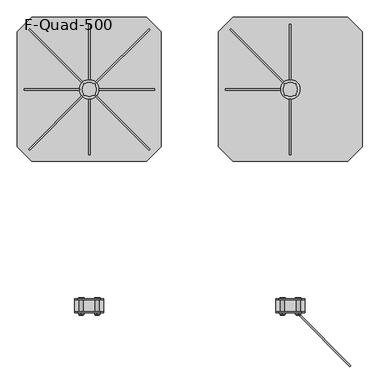
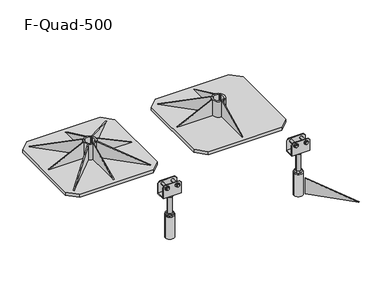
"""IFC4 building model written with IfcOpenShell, lengths in millimetres: beam geometry, F-Quad-500."""

from ifc_helpers import new_model, si_unit, point, frame, frame_2d, origin, origin_with_axes, place, context, project, spatial, polyline, circle_curve, trimmed, segment, composite_curve, outline, extrude, source, transform, mapped, element, save
from ifc_brep_helpers import plane_surface, cylinder_surface, revolved_surface, advanced_brep


def f_quad_500_2612b5c2(model_context):
    return source(origin(), model_context, "Body", "SolidModel", [
        extrude(outline(polyline([(526.0, 17.0), (718.5316456, 107.0), (718.5316456, 17.0), (526.0, 17.0)])), frame((697.5, 0.0, 0.0), z_axis=(1.0, 0.0, 0.0), x_axis=(0.0, 1.0, 0.0)), (0.0, 0.0, 1.0), 5.0),
        extrude(outline(polyline([(979.0, 17.0), (786.4683544, 17.0), (786.4683544, 107.0), (979.0, 17.0)])), frame((697.5, 0.0, 0.0), z_axis=(1.0, 0.0, 0.0), x_axis=(0.0, 1.0, 0.0)), (0.0, 0.0, 1.0), 5.0),
        extrude(outline(polyline([(17.0, 473.5), (17.0, 666.0316456), (107.0, 666.0316456), (17.0, 473.5)])), frame((0.0, 750.0, 0.0), z_axis=(0.0, 1.0, 0.0), x_axis=(0.0, 0.0, 1.0)), (0.0, 0.0, 1.0), 5.0),
        extrude(outline(polyline([(0.0, 0.0), (-247.7880551, -85.1180342), (-277.0270745, 0.0), (0.0, 0.0)])), frame((488.9286258, 960.0358403, 17.0), z_axis=(0.7071067811865491, 0.7071067811865459, 0.0), x_axis=(-0.6687504353591679, 0.6687504353591709, -0.32487799312025273)), (0.0, 0.0, 1.0), 5.0),
        extrude(outline(composite_curve([segment(trimmed(circle_curve(frame_2d((700.0, 752.5)), 34.0), [point((666.0, 752.5))], [point((734.0, 752.5))], False, "CARTESIAN"), True, "CONTINUOUS"), segment(trimmed(circle_curve(frame_2d((700.0, 752.5)), 34.0), [point((734.0, 752.5))], [point((666.0, 752.5))], False, "CARTESIAN"), True, "CONTINUOUS")], self_intersect=False), holes=[composite_curve([segment(polyline([(686.7335008, 772.5), (680.0, 772.5), (680.0, 765.7664992)]), True, "CONTINUOUS"), segment(trimmed(circle_curve(frame_2d((700.0, 752.5)), 24.0), [point((680.0, 765.7664992))], [point((680.0, 739.2335008))], True, "CARTESIAN"), True, "CONTINUOUS"), segment(polyline([(680.0, 739.2335008), (680.0, 732.5), (686.7335008, 732.5)]), True, "CONTINUOUS"), segment(trimmed(circle_curve(frame_2d((700.0, 752.5)), 24.0), [point((686.7335008, 732.5))], [point((713.2664992, 732.5))], True, "CARTESIAN"), True, "CONTINUOUS"), segment(polyline([(713.2664992, 732.5), (720.0, 732.5), (720.0, 739.2335008)]), True, "CONTINUOUS"), segment(trimmed(circle_curve(frame_2d((700.0, 752.5)), 24.0), [point((720.0, 739.2335008))], [point((720.0, 765.7664992))], True, "CARTESIAN"), True, "CONTINUOUS"), segment(polyline([(720.0, 765.7664992), (720.0, 772.5), (713.2664992, 772.5)]), True, "CONTINUOUS"), segment(trimmed(circle_curve(frame_2d((700.0, 752.5)), 24.0), [point((713.2664992, 772.5))], [point((686.7335008, 772.5))], True, "CARTESIAN"), True, "CONTINUOUS")], self_intersect=False)]), frame((0.0, 0.0, 17.0), z_axis=(0.0, 0.0, 1.0), x_axis=(1.0, 0.0, 0.0)), (0.0, 0.0, 1.0), 90.0),
        extrude(outline(polyline([(900.0, 1002.5), (950.0, 952.5), (950.0, 552.5), (900.0, 502.5), (500.0, 502.5), (450.0, 552.5), (450.0, 952.5), (500.0, 1002.5), (900.0, 1002.5)])), origin_with_axes(), (0.0, 0.0, 1.0), 17.0),
        extrude(outline(polyline([(0.0, 0.0), (277.0270745, 0.0), (247.7880551, -85.1180342), (0.0, 0.0)])), frame((207.5358403, 541.4286258, 17.0), z_axis=(0.7071067811865491, 0.7071067811865459, 0.0), x_axis=(-0.6687504353591679, 0.6687504353591709, 0.32487799312025273)), (0.0, 0.0, 1.0), 5.0),
        extrude(outline(polyline([(0.0, 0.0), (-247.7880551, -85.1180342), (-277.0270745, 0.0), (0.0, 0.0)])), frame((-207.5358403, 541.4286258, 17.0), z_axis=(-0.7071067811865449, 0.7071067811865502, 0.0), x_axis=(-0.6687504353591719, -0.6687504353591668, -0.3248779931202527)), (0.0, 0.0, 1.0), 5.0),
        extrude(outline(polyline([(0.0, 0.0), (277.0270745, 0.0), (247.7880551, -85.1180342), (0.0, 0.0)])), frame((211.0713742, 960.0358403, 17.0), z_axis=(-0.7071067811865384, 0.7071067811865568, 0.0), x_axis=(-0.6687504353591781, -0.6687504353591606, 0.32487799312025273)), (0.0, 0.0, 1.0), 5.0),
        extrude(outline(polyline([(17.0, 226.5), (107.0, 33.9683544), (17.0, 33.9683544), (17.0, 226.5)])), frame((0.0, 750.0, 0.0), z_axis=(0.0, 1.0, 0.0), x_axis=(0.0, 0.0, 1.0)), (0.0, 0.0, 1.0), 5.0),
        extrude(outline(polyline([(526.0, 17.0), (718.5316456, 107.0), (718.5316456, 17.0), (526.0, 17.0)])), frame((-2.5, 0.0, 0.0), z_axis=(1.0, 0.0, 0.0), x_axis=(0.0, 1.0, 0.0)), (0.0, 0.0, 1.0), 5.0),
        extrude(outline(polyline([(979.0, 17.0), (786.4683544, 17.0), (786.4683544, 107.0), (979.0, 17.0)])), frame((-2.5, 0.0, 0.0), z_axis=(1.0, 0.0, 0.0), x_axis=(0.0, 1.0, 0.0)), (0.0, 0.0, 1.0), 5.0),
        extrude(outline(polyline([(17.0, -226.5), (17.0, -33.9683544), (107.0, -33.9683544), (17.0, -226.5)])), frame((0.0, 750.0, 0.0), z_axis=(0.0, 1.0, 0.0), x_axis=(0.0, 0.0, 1.0)), (0.0, 0.0, 1.0), 5.0),
        extrude(outline(polyline([(0.0, 0.0), (-247.7880551, -85.1180342), (-277.0270745, 0.0), (0.0, 0.0)])), frame((-211.0713742, 960.0358403, 17.0), z_axis=(0.7071067811865491, 0.7071067811865459, 0.0), x_axis=(-0.6687504353591679, 0.6687504353591709, -0.32487799312025273)), (0.0, 0.0, 1.0), 5.0),
        extrude(outline(composite_curve([segment(trimmed(circle_curve(frame_2d((0.0, 752.5)), 34.0), [point((-34.0, 752.5))], [point((34.0, 752.5))], False, "CARTESIAN"), True, "CONTINUOUS"), segment(trimmed(circle_curve(frame_2d((0.0, 752.5)), 34.0), [point((34.0, 752.5))], [point((-34.0, 752.5))], False, "CARTESIAN"), True, "CONTINUOUS")], self_intersect=False), holes=[composite_curve([segment(polyline([(-13.2664992, 772.5), (-20.0, 772.5), (-20.0, 765.7664992)]), True, "CONTINUOUS"), segment(trimmed(circle_curve(frame_2d((0.0, 752.5)), 24.0), [point((-20.0, 765.7664992))], [point((-20.0, 739.2335008))], True, "CARTESIAN"), True, "CONTINUOUS"), segment(polyline([(-20.0, 739.2335008), (-20.0, 732.5), (-13.2664992, 732.5)]), True, "CONTINUOUS"), segment(trimmed(circle_curve(frame_2d((0.0, 752.5)), 24.0), [point((-13.2664992, 732.5))], [point((13.2664992, 732.5))], True, "CARTESIAN"), True, "CONTINUOUS"), segment(polyline([(13.2664992, 732.5), (20.0, 732.5), (20.0, 739.2335008)]), True, "CONTINUOUS"), segment(trimmed(circle_curve(frame_2d((0.0, 752.5)), 24.0), [point((20.0, 739.2335008))], [point((20.0, 765.7664992))], True, "CARTESIAN"), True, "CONTINUOUS"), segment(polyline([(20.0, 765.7664992), (20.0, 772.5), (13.2664992, 772.5)]), True, "CONTINUOUS"), segment(trimmed(circle_curve(frame_2d((0.0, 752.5)), 24.0), [point((13.2664992, 772.5))], [point((-13.2664992, 772.5))], True, "CARTESIAN"), True, "CONTINUOUS")], self_intersect=False)]), frame((0.0, 0.0, 17.0), z_axis=(0.0, 0.0, 1.0), x_axis=(1.0, 0.0, 0.0)), (0.0, 0.0, 1.0), 90.0),
        extrude(outline(polyline([(200.0, 1002.5), (250.0, 952.5), (250.0, 552.5), (200.0, 502.5), (-200.0, 502.5), (-250.0, 552.5), (-250.0, 952.5), (-200.0, 1002.5), (200.0, 1002.5)])), origin_with_axes(), (0.0, 0.0, 1.0), 17.0),
        advanced_brep(
        [(650.0, -20.75, 265.0), (750.0, -20.75, 265.0), (750.0, 20.75, 265.0), (650.0, 20.75, 265.0), (750.0, 23.75, 258.0), (750.0, -23.75, 258.0), (650.0, -23.75, 258.0), (650.0, 23.75, 258.0), (727.5, 28.653247, 323.062665), (737.0805489, 28.653247, 317.5313325), (737.0805489, 28.653247, 306.4686675), (727.5, 28.653247, 300.937335), (717.9194511, 28.653247, 306.4686675), (717.9194511, 28.653247, 317.5313325), (672.5, 28.653247, 323.062665), (682.0805489, 28.653247, 317.5313325), (682.0805489, 28.653247, 306.4686675), (672.5, 28.653247, 300.937335), (662.9194511, 28.653247, 306.4686675), (662.9194511, 28.653247, 317.5313325), (727.5, 23.653247, 323.062665), (737.0805489, 23.75, 317.5313325), (737.0805489, 23.75, 306.4686675), (727.5, 23.75, 300.937335), (717.9194511, 23.75, 306.4686675), (717.9194511, 23.75, 317.5313325), (672.5, 23.653247, 323.062665), (682.0805489, 23.75, 317.5313325), (682.0805489, 23.75, 306.4686675), (672.5, 23.75, 300.937335), (662.9194511, 23.75, 306.4686675), (662.9194511, 23.75, 317.5313325), (717.9194511, -28.75, 317.5313325), (717.9194511, -28.75, 306.4686675), (727.5, -28.75, 300.937335), (737.0805489, -28.75, 306.4686675), (737.0805489, -28.75, 317.5313325), (727.5, -28.75, 323.062665), (720.5, -28.75, 312.0), (734.5, -28.75, 312.0), (717.9194511, -23.75, 317.5313325), (717.9194511, -23.75, 306.4686675), (727.5, -23.75, 300.937335), (737.0805489, -23.75, 306.4686675), (737.0805489, -23.75, 317.5313325), (727.5, -23.75, 323.062665), (662.9194511, -28.75, 317.5313325), (662.9194511, -28.75, 306.4686675), (672.5, -28.75, 300.937335), (682.0805489, -28.75, 306.4686675), (682.0805489, -28.75, 317.5313325), (672.5, -28.75, 323.062665), (665.5, -28.75, 312.0), (679.5, -28.75, 312.0), (662.9194511, -23.75, 317.5313325), (662.9194511, -23.75, 306.4686675), (672.5, -23.75, 300.937335), (682.0805489, -23.75, 306.4686675), (682.0805489, -23.75, 317.5313325), (672.5, -23.75, 323.062665), (650.0, -20.75, 319.0), (660.0, -20.75, 329.0), (740.0, -20.75, 329.0), (750.0, -20.75, 319.0), (734.5, -20.75, 312.0), (720.5, -20.75, 312.0), (679.5, -20.75, 312.0), (665.5, -20.75, 312.0), (740.0, -23.75, 329.0), (750.0, -23.75, 319.0), (660.0, -23.75, 329.0), (650.0, -23.75, 319.0), (750.0, 20.75, 319.0), (740.0, 20.75, 329.0), (660.0, 20.75, 329.0), (650.0, 20.75, 319.0), (720.5, 20.75, 312.0), (734.5, 20.75, 312.0), (665.5, 20.75, 312.0), (679.5, 20.75, 312.0), (750.0, 23.75, 319.0), (740.0, 23.75, 329.0), (660.0, 23.75, 329.0), (650.0, 23.75, 319.0), (720.5, -32.6948906, 312.0), (734.5, -32.6948906, 312.0), (665.5, -32.6948906, 312.0), (679.5, -32.6948906, 312.0)],
        [
            (0, 1),
            (1, 2),
            (2, 3),
            (3, 0),
            (4, 5),
            (5, 6),
            (6, 7),
            (7, 4),
            (8, 9),
            (9, 10),
            (10, 11),
            (11, 12),
            (12, 13),
            (13, 8),
            (14, 15),
            (15, 16),
            (16, 17),
            (17, 18),
            (18, 19),
            (19, 14),
            (8, 20),
            (20, 21),
            (21, 9),
            (21, 22),
            (22, 10),
            (22, 23),
            (23, 11),
            (23, 24),
            (24, 12),
            (24, 25),
            (25, 13),
            (25, 20),
            (14, 26),
            (26, 27),
            (27, 15),
            (27, 28),
            (28, 16),
            (28, 29),
            (29, 17),
            (29, 30),
            (30, 18),
            (30, 31),
            (31, 19),
            (31, 26),
            (32, 33),
            (33, 34),
            (34, 35),
            (35, 36),
            (36, 37),
            (37, 32),
            (38, 39, circle_curve(frame((727.5, -28.75, 312.0), z_axis=(0.0, 1.0, 0.0), x_axis=(-1.0, 0.0, 0.0)), 7.0)),
            (39, 38, circle_curve(frame((727.5, -28.75, 312.0), z_axis=(0.0, 1.0, 0.0), x_axis=(-1.0, 0.0, 0.0)), 7.0)),
            (32, 40),
            (40, 41),
            (41, 33),
            (41, 42),
            (42, 34),
            (42, 43),
            (43, 35),
            (43, 44),
            (44, 36),
            (44, 45),
            (45, 37),
            (45, 40),
            (46, 47),
            (47, 48),
            (48, 49),
            (49, 50),
            (50, 51),
            (51, 46),
            (52, 53, circle_curve(frame((672.5, -28.75, 312.0), z_axis=(0.0, 1.0, 0.0), x_axis=(-1.0, 0.0, 0.0)), 7.0)),
            (53, 52, circle_curve(frame((672.5, -28.75, 312.0), z_axis=(0.0, 1.0, 0.0), x_axis=(-1.0, 0.0, 0.0)), 7.0)),
            (46, 54),
            (54, 55),
            (55, 47),
            (55, 56),
            (56, 48),
            (56, 57),
            (57, 49),
            (57, 58),
            (58, 50),
            (58, 59),
            (59, 51),
            (59, 54),
            (60, 61),
            (61, 62),
            (62, 63),
            (63, 1),
            (0, 60),
            (64, 65, circle_curve(frame((727.5, -20.75, 312.0), z_axis=(0.0, -1.0, 0.0), x_axis=(-1.0, 0.0, 0.0)), 7.0)),
            (65, 64, circle_curve(frame((727.5, -20.75, 312.0), z_axis=(0.0, -1.0, 0.0), x_axis=(-1.0, 0.0, 0.0)), 7.0)),
            (66, 67, circle_curve(frame((672.5, -20.75, 312.0), z_axis=(0.0, -1.0, 0.0), x_axis=(-1.0, 0.0, 0.0)), 7.0)),
            (67, 66, circle_curve(frame((672.5, -20.75, 312.0), z_axis=(0.0, -1.0, 0.0), x_axis=(-1.0, 0.0, 0.0)), 7.0)),
            (62, 68),
            (68, 69),
            (69, 63),
            (61, 70),
            (70, 68),
            (60, 71),
            (71, 70),
            (72, 73),
            (73, 74),
            (74, 75),
            (75, 3),
            (2, 72),
            (76, 77, circle_curve(frame((727.5, 20.75, 312.0), z_axis=(0.0, 1.0, 0.0), x_axis=(-1.0, 0.0, 0.0)), 7.0)),
            (77, 76, circle_curve(frame((727.5, 20.75, 312.0), z_axis=(0.0, 1.0, 0.0), x_axis=(-1.0, 0.0, 0.0)), 7.0)),
            (78, 79, circle_curve(frame((672.5, 20.75, 312.0), z_axis=(0.0, 1.0, 0.0), x_axis=(-1.0, 0.0, 0.0)), 7.0)),
            (79, 78, circle_curve(frame((672.5, 20.75, 312.0), z_axis=(0.0, 1.0, 0.0), x_axis=(-1.0, 0.0, 0.0)), 7.0)),
            (80, 81),
            (81, 73),
            (72, 80),
            (81, 82),
            (82, 74),
            (82, 83),
            (83, 75),
            (7, 83),
            (80, 4),
            (6, 71),
            (5, 69),
            (84, 85, circle_curve(frame((727.5, -32.6948906, 312.0), z_axis=(0.0, -1.0, 0.0), x_axis=(-1.0, 0.0, 0.0)), 7.0)),
            (85, 84, circle_curve(frame((727.5, -32.6948906, 312.0), z_axis=(0.0, -1.0, 0.0), x_axis=(-1.0, 0.0, 0.0)), 7.0)),
            (86, 87, circle_curve(frame((672.5, -32.6948906, 312.0), z_axis=(0.0, -1.0, 0.0), x_axis=(-1.0, 0.0, 0.0)), 7.0)),
            (87, 86, circle_curve(frame((672.5, -32.6948906, 312.0), z_axis=(0.0, -1.0, 0.0), x_axis=(-1.0, 0.0, 0.0)), 7.0)),
            (85, 39),
            (38, 84),
            (64, 77),
            (76, 65),
            (87, 53),
            (52, 86),
            (66, 79),
            (78, 67),
        ],
        [
            plane_surface(frame((700.0, 23.75, 265.0), z_axis=(0.0, 0.0, 1.0), x_axis=(-1.0, 0.0, 0.0))),
            plane_surface(frame((700.0, 23.75, 258.0), z_axis=(0.0, 0.0, -1.0), x_axis=(1.0, 0.0, 0.0))),
            plane_surface(frame((727.5, 28.653247, 323.062665), z_axis=(0.0, 1.0, 0.0), x_axis=(0.866025403784437, 0.0, -0.5000000000000028))),
            plane_surface(frame((727.5, 28.653247, 323.062665), z_axis=(0.5000000000000028, 0.0, 0.866025403784437), x_axis=(0.0, -1.0, 0.0))),
            plane_surface(frame((737.0805489, 28.653247, 317.5313325), z_axis=(1.0, 0.0, 0.0), x_axis=(0.0, -1.0, 0.0))),
            plane_surface(frame((737.0805489, 28.653247, 306.4686675), z_axis=(0.4999999999999971, 0.0, -0.8660254037844404), x_axis=(0.0, -1.0, 0.0))),
            plane_surface(frame((727.5, 28.653247, 300.937335), z_axis=(-0.5000000000000031, 0.0, -0.8660254037844369), x_axis=(0.0, -1.0, 0.0))),
            plane_surface(frame((717.9194511, 28.653247, 306.4686675), z_axis=(-1.0, 0.0, 0.0), x_axis=(0.0, -1.0, 0.0))),
            plane_surface(frame((717.9194511, 28.653247, 317.5313325), z_axis=(-0.4999999999999962, 0.0, 0.8660254037844408), x_axis=(0.0, -1.0, 0.0))),
            plane_surface(frame((672.5, 28.653247, 323.062665), z_axis=(0.5000000000000028, 0.0, 0.866025403784437), x_axis=(0.0, -1.0, 0.0))),
            plane_surface(frame((682.0805489, 28.653247, 317.5313325), z_axis=(1.0, 0.0, 0.0), x_axis=(0.0, -1.0, 0.0))),
            plane_surface(frame((682.0805489, 28.653247, 306.4686675), z_axis=(0.4999999999999972, 0.0, -0.8660254037844403), x_axis=(0.0, -1.0, 0.0))),
            plane_surface(frame((672.5, 28.653247, 300.937335), z_axis=(-0.5000000000000029, 0.0, -0.866025403784437), x_axis=(0.0, -1.0, 0.0))),
            plane_surface(frame((662.9194511, 28.653247, 306.4686675), z_axis=(-1.0, 0.0, 0.0), x_axis=(0.0, -1.0, 0.0))),
            plane_surface(frame((662.9194511, 28.653247, 317.5313325), z_axis=(-0.49999999999999617, 0.0, 0.8660254037844409), x_axis=(0.0, -1.0, 0.0))),
            plane_surface(frame((717.9194511, -28.75, 317.5313325), z_axis=(0.0, -1.0, 0.0), x_axis=(0.0, 0.0, -1.0))),
            plane_surface(frame((717.9194511, -28.75, 317.5313325), z_axis=(-1.0, 0.0, 0.0), x_axis=(0.0, 1.0, 0.0))),
            plane_surface(frame((717.9194511, -28.75, 306.4686675), z_axis=(-0.500000000000003, 0.0, -0.866025403784437), x_axis=(0.0, 1.0, 0.0))),
            plane_surface(frame((727.5, -28.75, 300.937335), z_axis=(0.4999999999999972, 0.0, -0.8660254037844403), x_axis=(0.0, 1.0, 0.0))),
            plane_surface(frame((737.0805489, -28.75, 306.4686675), z_axis=(1.0, 0.0, 0.0), x_axis=(0.0, 1.0, 0.0))),
            plane_surface(frame((737.0805489, -28.75, 317.5313325), z_axis=(0.5000000000000038, 0.0, 0.8660254037844366), x_axis=(0.0, 1.0, 0.0))),
            plane_surface(frame((727.5, -28.75, 323.062665), z_axis=(-0.4999999999999978, 0.0, 0.8660254037844399), x_axis=(0.0, 1.0, 0.0))),
            plane_surface(frame((662.9194511, -28.75, 317.5313325), z_axis=(0.0, -1.0, 0.0), x_axis=(0.0, 0.0, -1.0))),
            plane_surface(frame((662.9194511, -28.75, 317.5313325), z_axis=(-1.0, 0.0, 0.0), x_axis=(0.0, 1.0, 0.0))),
            plane_surface(frame((662.9194511, -28.75, 306.4686675), z_axis=(-0.5000000000000031, 0.0, -0.8660254037844368), x_axis=(0.0, 1.0, 0.0))),
            plane_surface(frame((672.5, -28.75, 300.937335), z_axis=(0.49999999999999717, 0.0, -0.8660254037844404), x_axis=(0.0, 1.0, 0.0))),
            plane_surface(frame((682.0805489, -28.75, 306.4686675), z_axis=(1.0, 0.0, 0.0), x_axis=(0.0, 1.0, 0.0))),
            plane_surface(frame((682.0805489, -28.75, 317.5313325), z_axis=(0.5000000000000036, 0.0, 0.8660254037844367), x_axis=(0.0, 1.0, 0.0))),
            plane_surface(frame((672.5, -28.75, 323.062665), z_axis=(-0.4999999999999981, 0.0, 0.8660254037844398), x_axis=(0.0, 1.0, 0.0))),
            plane_surface(frame((650.0, -20.75, 319.0), z_axis=(0.0, 1.0, 0.0), x_axis=(0.0, 0.0, 1.0))),
            plane_surface(frame((750.0, -23.75, 319.0), z_axis=(0.7071067811865493, 0.0, 0.7071067811865457), x_axis=(0.0, 1.0, 0.0))),
            plane_surface(frame((740.0, -23.75, 329.0), z_axis=(0.0, 0.0, 1.0), x_axis=(0.0, 1.0, 0.0))),
            plane_surface(frame((660.0, -23.75, 329.0), z_axis=(-0.707106781186547, 0.0, 0.7071067811865481), x_axis=(0.0, 1.0, 0.0))),
            plane_surface(frame((740.0, 20.75, 329.0), z_axis=(0.0, -1.0, 0.0), x_axis=(-0.7071067811865458, 0.0, 0.7071067811865493))),
            plane_surface(frame((750.0, 20.75, 319.0), z_axis=(0.7071067811865493, 0.0, 0.7071067811865458), x_axis=(0.0, 1.0, 0.0))),
            plane_surface(frame((740.0, 20.75, 329.0), z_axis=(0.0, 0.0, 1.0), x_axis=(0.0, 1.0, 0.0))),
            plane_surface(frame((660.0, 20.75, 329.0), z_axis=(-0.7071067811865467, 0.0, 0.7071067811865485), x_axis=(0.0, 1.0, 0.0))),
            plane_surface(frame((750.0, 23.75, 265.0), z_axis=(0.0, 1.0, 0.0), x_axis=(0.0, 0.0, -1.0))),
            plane_surface(frame((650.0, 23.75, 265.0), z_axis=(-1.0, 0.0, 0.0), x_axis=(0.0, 0.0, -1.0))),
            plane_surface(frame((650.0, -23.75, 265.0), z_axis=(0.0, -1.0, 0.0), x_axis=(0.0, 0.0, -1.0))),
            plane_surface(frame((750.0, -23.75, 265.0), z_axis=(1.0, 0.0, 0.0), x_axis=(0.0, 0.0, -1.0))),
            plane_surface(frame((720.5, -32.6948906, 312.0), z_axis=(0.0, -1.0, 0.0), x_axis=(0.0, 0.0, -1.0))),
            cylinder_surface(frame((727.5, -32.6948906, 312.0), z_axis=(0.0, 1.0, 0.0), x_axis=(-1.0, 0.0, 0.0)), 7.0),
            cylinder_surface(frame((672.5, 23.653247, 312.0), z_axis=(0.0, 1.0, 0.0), x_axis=(-1.0, 0.0, 0.0)), 7.0),
        ],
        [
            (0, [[1, 2, 3, 4]]),
            (1, [[5, 6, 7, 8]]),
            (2, [[9, 10, 11, 12, 13, 14]]),
            (2, [[15, 16, 17, 18, 19, 20]]),
            (3, [[-9, 21, 22, 23]]),
            (4, [[-10, -23, 24, 25]]),
            (5, [[-11, -25, 26, 27]]),
            (6, [[-12, -27, 28, 29]]),
            (7, [[-13, -29, 30, 31]]),
            (8, [[-14, -31, 32, -21]]),
            (9, [[-15, 33, 34, 35]]),
            (10, [[-16, -35, 36, 37]]),
            (11, [[-17, -37, 38, 39]]),
            (12, [[-18, -39, 40, 41]]),
            (13, [[-19, -41, 42, 43]]),
            (14, [[-20, -43, 44, -33]]),
            (15, [[45, 46, 47, 48, 49, 50], [51, 52]]),
            (16, [[-45, 53, 54, 55]]),
            (17, [[-46, -55, 56, 57]]),
            (18, [[-47, -57, 58, 59]]),
            (19, [[-48, -59, 60, 61]]),
            (20, [[-49, -61, 62, 63]]),
            (21, [[-50, -63, 64, -53]]),
            (22, [[65, 66, 67, 68, 69, 70], [71, 72]]),
            (23, [[-65, 73, 74, 75]]),
            (24, [[-66, -75, 76, 77]]),
            (25, [[-67, -77, 78, 79]]),
            (26, [[-68, -79, 80, 81]]),
            (27, [[-69, -81, 82, 83]]),
            (28, [[-70, -83, 84, -73]]),
            (29, [[85, 86, 87, 88, -1, 89], [90, 91], [92, 93]]),
            (30, [[-87, 94, 95, 96]]),
            (31, [[-86, 97, 98, -94]]),
            (32, [[-85, 99, 100, -97]]),
            (33, [[101, 102, 103, 104, -3, 105], [106, 107], [108, 109]]),
            (34, [[110, 111, -101, 112]]),
            (35, [[113, 114, -102, -111]]),
            (36, [[115, 116, -103, -114]]),
            (37, [[-8, 117, -115, -113, -110, 118], [-22, -32, -30, -28, -26, -24], [-34, -44, -42, -40, -38, -36]]),
            (38, [[-117, -7, 119, -99, -89, -4, -104, -116]]),
            (39, [[-6, 120, -95, -98, -100, -119], [-54, -64, -62, -60, -58, -56], [-74, -84, -82, -80, -78, -76]]),
            (40, [[-5, -118, -112, -105, -2, -88, -96, -120]]),
            (41, [[121, 122]]),
            (41, [[123, 124]]),
            (42, [[-122, 125, -51, 126]]),
            (42, [[-90, 127, -106, 128]]),
            (42, [[-121, -126, -52, -125]]),
            (42, [[-91, -128, -107, -127]]),
            (43, [[-124, 129, -71, 130]]),
            (43, [[-92, 131, -108, 132]]),
            (43, [[-123, -130, -72, -129]]),
            (43, [[-93, -132, -109, -131]]),
        ],
    ),
        advanced_brep(
        [(688.0, 0.0, 248.0), (688.0, 0.0, 150.0), (712.0, 0.0, 150.0), (712.0, 0.0, 248.0), (682.6794919, 10.0, 258.0), (682.6794919, -10.0, 258.0), (700.0, -20.0, 258.0), (717.3205081, -10.0, 258.0), (717.3205081, 10.0, 258.0), (700.0, 20.0, 258.0), (682.6794919, 10.0, 248.0), (700.0, 20.0, 248.0), (717.3205081, 10.0, 248.0), (717.3205081, -10.0, 248.0), (700.0, -20.0, 248.0), (682.6794919, -10.0, 248.0), (682.6794919, 10.0, 150.0), (682.6794919, -10.0, 150.0), (700.0, -20.0, 150.0), (717.3205081, -10.0, 150.0), (717.3205081, 10.0, 150.0), (700.0, 20.0, 150.0), (682.6794919, 10.0, 140.0), (682.6794919, 0.0, 140.0), (682.6794919, -10.0, 140.0), (700.0, -20.0, 140.0), (717.3205081, -10.0, 140.0), (717.3205081, 0.0, 140.0), (717.3205081, 10.0, 140.0), (700.0, 20.0, 140.0), (680.0, 0.0, 140.0), (720.0, 0.0, 140.0), (724.0, 0.0, 136.0), (676.0, 0.0, 136.0), (724.0, 0.0, 10.0), (676.0, 0.0, 10.0), (700.0, 0.0, 10.0)],
        [
            (0, 1),
            (1, 2, circle_curve(frame((700.0, 0.0, 150.0), z_axis=(0.0, 0.0, 1.0), x_axis=(1.0, 0.0, 0.0)), 12.0)),
            (2, 3),
            (3, 0, circle_curve(frame((700.0, 0.0, 248.0), z_axis=(0.0, 0.0, -1.0), x_axis=(1.0, 0.0, 0.0)), 12.0)),
            (0, 3, circle_curve(frame((700.0, 0.0, 248.0), z_axis=(0.0, 0.0, -1.0), x_axis=(1.0, 0.0, 0.0)), 12.0)),
            (2, 1, circle_curve(frame((700.0, 0.0, 150.0), z_axis=(0.0, 0.0, 1.0), x_axis=(1.0, 0.0, 0.0)), 12.0)),
            (4, 5),
            (5, 6),
            (6, 7),
            (7, 8),
            (8, 9),
            (9, 4),
            (10, 11),
            (11, 12),
            (12, 13),
            (13, 14),
            (14, 15),
            (15, 10),
            (4, 10),
            (15, 5),
            (14, 6),
            (13, 7),
            (12, 8),
            (11, 9),
            (16, 17),
            (17, 18),
            (18, 19),
            (19, 20),
            (20, 21),
            (21, 16),
            (16, 22),
            (22, 23),
            (23, 24),
            (24, 17),
            (24, 25),
            (25, 18),
            (25, 26),
            (26, 19),
            (26, 27),
            (27, 28),
            (28, 20),
            (28, 29),
            (29, 21),
            (29, 22),
            (22, 30, circle_curve(frame((700.0, 0.0, 140.0), z_axis=(0.0, 0.0, 1.0), x_axis=(-1.0, 0.0, 0.0)), 20.0)),
            (30, 23),
            (29, 22, circle_curve(frame((700.0, 0.0, 140.0), z_axis=(0.0, 0.0, 1.0), x_axis=(-1.0, 0.0, 0.0)), 20.0)),
            (28, 29, circle_curve(frame((700.0, 0.0, 140.0), z_axis=(0.0, 0.0, 1.0), x_axis=(-1.0, 0.0, 0.0)), 20.0)),
            (31, 28, circle_curve(frame((700.0, 0.0, 140.0), z_axis=(0.0, 0.0, 1.0), x_axis=(-1.0, 0.0, 0.0)), 20.0)),
            (27, 31),
            (26, 31, circle_curve(frame((700.0, 0.0, 140.0), z_axis=(0.0, 0.0, 1.0), x_axis=(-1.0, 0.0, 0.0)), 20.0)),
            (25, 26, circle_curve(frame((700.0, 0.0, 140.0), z_axis=(0.0, 0.0, 1.0), x_axis=(-1.0, 0.0, 0.0)), 20.0)),
            (24, 25, circle_curve(frame((700.0, 0.0, 140.0), z_axis=(0.0, 0.0, 1.0), x_axis=(-1.0, 0.0, 0.0)), 20.0)),
            (30, 24, circle_curve(frame((700.0, 0.0, 140.0), z_axis=(0.0, 0.0, 1.0), x_axis=(-1.0, 0.0, 0.0)), 20.0)),
            (32, 33, circle_curve(frame((700.0, 0.0, 136.0), z_axis=(0.0, 0.0, 1.0), x_axis=(-1.0, 0.0, 0.0)), 24.0)),
            (33, 30),
            (31, 32),
            (33, 32, circle_curve(frame((700.0, 0.0, 136.0), z_axis=(0.0, 0.0, 1.0), x_axis=(-1.0, 0.0, 0.0)), 24.0)),
            (32, 34),
            (34, 35, circle_curve(frame((700.0, 0.0, 10.0), z_axis=(0.0, 0.0, 1.0), x_axis=(-1.0, 0.0, 0.0)), 24.0)),
            (35, 33),
            (35, 34, circle_curve(frame((700.0, 0.0, 10.0), z_axis=(0.0, 0.0, 1.0), x_axis=(-1.0, 0.0, 0.0)), 24.0)),
            (34, 36),
            (36, 35),
        ],
        [
            cylinder_surface(frame((700.0, 0.0, 150.0), z_axis=(0.0, 0.0, 1.0), x_axis=(1.0, 0.0, 0.0)), 12.0),
            plane_surface(frame((682.6794919, 10.0, 258.0), z_axis=(0.0, 0.0, 1.0), x_axis=(0.0, -1.0, 0.0))),
            plane_surface(frame((682.6794919, 10.0, 248.0), z_axis=(0.0, 0.0, -1.0), x_axis=(0.0, 1.0, 0.0))),
            plane_surface(frame((682.6794919, 10.0, 258.0), z_axis=(-1.0, 0.0, 0.0), x_axis=(0.0, 0.0, -1.0))),
            plane_surface(frame((682.6794919, -10.0, 258.0), z_axis=(-0.5000000000000034, -0.8660254037844367, 0.0), x_axis=(0.0, 0.0, -1.0))),
            plane_surface(frame((700.0, -20.0, 258.0), z_axis=(0.4999999999999958, -0.8660254037844412, 0.0), x_axis=(0.0, 0.0, -1.0))),
            plane_surface(frame((717.3205081, -10.0, 258.0), z_axis=(1.0, 0.0, 0.0), x_axis=(0.0, 0.0, -1.0))),
            plane_surface(frame((717.3205081, 10.0, 258.0), z_axis=(0.5000000000000064, 0.866025403784435, 0.0), x_axis=(0.0, 0.0, -1.0))),
            plane_surface(frame((700.0, 20.0, 258.0), z_axis=(-0.4999999999999984, 0.8660254037844396, 0.0), x_axis=(0.0, 0.0, -1.0))),
            plane_surface(frame((682.6794919, 10.0, 150.0), z_axis=(0.0, 0.0, 1.0), x_axis=(0.0, -1.0, 0.0))),
            plane_surface(frame((682.6794919, 10.0, 150.0), z_axis=(-1.0, 0.0, 0.0), x_axis=(0.0, 0.0, -1.0))),
            plane_surface(frame((682.6794919, -10.0, 150.0), z_axis=(-0.5000000000000034, -0.8660254037844367, 0.0), x_axis=(0.0, 0.0, -1.0))),
            plane_surface(frame((700.0, -20.0, 150.0), z_axis=(0.49999999999999545, -0.8660254037844413, 0.0), x_axis=(0.0, 0.0, -1.0))),
            plane_surface(frame((717.3205081, -10.0, 150.0), z_axis=(1.0, 0.0, 0.0), x_axis=(0.0, 0.0, -1.0))),
            plane_surface(frame((717.3205081, 10.0, 150.0), z_axis=(0.5000000000000064, 0.866025403784435, 0.0), x_axis=(0.0, 0.0, -1.0))),
            plane_surface(frame((700.0, 20.0, 150.0), z_axis=(-0.49999999999999845, 0.8660254037844396, 0.0), x_axis=(0.0, 0.0, -1.0))),
            plane_surface(frame((700.0, 0.0, 140.0), z_axis=(0.0, 0.0, 1.0), x_axis=(-1.0, 0.0, 0.0))),
            revolved_surface(polyline([(680.0, 0.0, 140.0), (676.0, 0.0, 136.0)]), (700.0, 0.0, 165.0), (0.0, 0.0, -1.0)),
            cylinder_surface(frame((700.0, 0.0, 165.0), z_axis=(0.0, 0.0, -1.0), x_axis=(-1.0, 0.0, 0.0)), 24.0),
            plane_surface(frame((700.0, 0.0, 10.0), z_axis=(0.0, 0.0, -1.0), x_axis=(-1.0, 0.0, 0.0))),
        ],
        [
            (0, [[1, 2, 3, 4]]),
            (0, [[-1, 5, -3, 6]]),
            (1, [[7, 8, 9, 10, 11, 12]]),
            (2, [[13, 14, 15, 16, 17, 18], [-4, -5]]),
            (3, [[-7, 19, -18, 20]]),
            (4, [[-8, -20, -17, 21]]),
            (5, [[-9, -21, -16, 22]]),
            (6, [[-10, -22, -15, 23]]),
            (7, [[-11, -23, -14, 24]]),
            (8, [[-12, -24, -13, -19]]),
            (9, [[25, 26, 27, 28, 29, 30], [-2, -6]]),
            (10, [[-25, 31, 32, 33, 34]]),
            (11, [[-26, -34, 35, 36]]),
            (12, [[-27, -36, 37, 38]]),
            (13, [[-28, -38, 39, 40, 41]]),
            (14, [[-29, -41, 42, 43]]),
            (15, [[-30, -43, 44, -31]]),
            (16, [[45, 46, -32]]),
            (16, [[47, -44]]),
            (16, [[48, -42]]),
            (16, [[49, -40, 50]]),
            (16, [[51, -50, -39]]),
            (16, [[52, -37]]),
            (16, [[53, -35]]),
            (16, [[54, -33, -46]]),
            (17, [[55, 56, -45, -47, -48, -49, 57]]),
            (17, [[-56, 58, -57, -51, -52, -53, -54]]),
            (18, [[-55, 59, 60, 61]]),
            (18, [[-58, -61, 62, -59]]),
            (19, [[-60, 63, 64]]),
            (19, [[-62, -64, -63]]),
        ],
    ),
        advanced_brep(
        [(-50.0, -20.75, 265.0), (50.0, -20.75, 265.0), (50.0, 20.75, 265.0), (-50.0, 20.75, 265.0), (50.0, 23.75, 258.0), (50.0, -23.75, 258.0), (-50.0, -23.75, 258.0), (-50.0, 23.75, 258.0), (27.5, 28.653247, 323.062665), (37.0805489, 28.653247, 317.5313325), (37.0805489, 28.653247, 306.4686675), (27.5, 28.653247, 300.937335), (17.9194511, 28.653247, 306.4686675), (17.9194511, 28.653247, 317.5313325), (-27.5, 28.653247, 323.062665), (-17.9194511, 28.653247, 317.5313325), (-17.9194511, 28.653247, 306.4686675), (-27.5, 28.653247, 300.937335), (-37.0805489, 28.653247, 306.4686675), (-37.0805489, 28.653247, 317.5313325), (27.5, 23.653247, 323.062665), (37.0805489, 23.75, 317.5313325), (37.0805489, 23.75, 306.4686675), (27.5, 23.75, 300.937335), (17.9194511, 23.75, 306.4686675), (17.9194511, 23.75, 317.5313325), (-27.5, 23.653247, 323.062665), (-17.9194511, 23.75, 317.5313325), (-17.9194511, 23.75, 306.4686675), (-27.5, 23.75, 300.937335), (-37.0805489, 23.75, 306.4686675), (-37.0805489, 23.75, 317.5313325), (17.9194511, -28.75, 317.5313325), (17.9194511, -28.75, 306.4686675), (27.5, -28.75, 300.937335), (37.0805489, -28.75, 306.4686675), (37.0805489, -28.75, 317.5313325), (27.5, -28.75, 323.062665), (20.5, -28.75, 312.0), (34.5, -28.75, 312.0), (17.9194511, -23.75, 317.5313325), (17.9194511, -23.75, 306.4686675), (27.5, -23.75, 300.937335), (37.0805489, -23.75, 306.4686675), (37.0805489, -23.75, 317.5313325), (27.5, -23.75, 323.062665), (-37.0805489, -28.75, 317.5313325), (-37.0805489, -28.75, 306.4686675), (-27.5, -28.75, 300.937335), (-17.9194511, -28.75, 306.4686675), (-17.9194511, -28.75, 317.5313325), (-27.5, -28.75, 323.062665), (-34.5, -28.75, 312.0), (-20.5, -28.75, 312.0), (-37.0805489, -23.75, 317.5313325), (-37.0805489, -23.75, 306.4686675), (-27.5, -23.75, 300.937335), (-17.9194511, -23.75, 306.4686675), (-17.9194511, -23.75, 317.5313325), (-27.5, -23.75, 323.062665), (-50.0, -20.75, 319.0), (-40.0, -20.75, 329.0), (40.0, -20.75, 329.0), (50.0, -20.75, 319.0), (34.5, -20.75, 312.0), (20.5, -20.75, 312.0), (-20.5, -20.75, 312.0), (-34.5, -20.75, 312.0), (40.0, -23.75, 329.0), (50.0, -23.75, 319.0), (-40.0, -23.75, 329.0), (-50.0, -23.75, 319.0), (50.0, 20.75, 319.0), (40.0, 20.75, 329.0), (-40.0, 20.75, 329.0), (-50.0, 20.75, 319.0), (20.5, 20.75, 312.0), (34.5, 20.75, 312.0), (-34.5, 20.75, 312.0), (-20.5, 20.75, 312.0), (50.0, 23.75, 319.0), (40.0, 23.75, 329.0), (-40.0, 23.75, 329.0), (-50.0, 23.75, 319.0), (20.5, -32.6948906, 312.0), (34.5, -32.6948906, 312.0), (-34.5, -32.6948906, 312.0), (-20.5, -32.6948906, 312.0)],
        [
            (0, 1),
            (1, 2),
            (2, 3),
            (3, 0),
            (4, 5),
            (5, 6),
            (6, 7),
            (7, 4),
            (8, 9),
            (9, 10),
            (10, 11),
            (11, 12),
            (12, 13),
            (13, 8),
            (14, 15),
            (15, 16),
            (16, 17),
            (17, 18),
            (18, 19),
            (19, 14),
            (8, 20),
            (20, 21),
            (21, 9),
            (21, 22),
            (22, 10),
            (22, 23),
            (23, 11),
            (23, 24),
            (24, 12),
            (24, 25),
            (25, 13),
            (25, 20),
            (14, 26),
            (26, 27),
            (27, 15),
            (27, 28),
            (28, 16),
            (28, 29),
            (29, 17),
            (29, 30),
            (30, 18),
            (30, 31),
            (31, 19),
            (31, 26),
            (32, 33),
            (33, 34),
            (34, 35),
            (35, 36),
            (36, 37),
            (37, 32),
            (38, 39, circle_curve(frame((27.5, -28.75, 312.0), z_axis=(0.0, 1.0, 0.0), x_axis=(-1.0, 0.0, 0.0)), 7.0)),
            (39, 38, circle_curve(frame((27.5, -28.75, 312.0), z_axis=(0.0, 1.0, 0.0), x_axis=(-1.0, 0.0, 0.0)), 7.0)),
            (32, 40),
            (40, 41),
            (41, 33),
            (41, 42),
            (42, 34),
            (42, 43),
            (43, 35),
            (43, 44),
            (44, 36),
            (44, 45),
            (45, 37),
            (45, 40),
            (46, 47),
            (47, 48),
            (48, 49),
            (49, 50),
            (50, 51),
            (51, 46),
            (52, 53, circle_curve(frame((-27.5, -28.75, 312.0), z_axis=(0.0, 1.0, 0.0), x_axis=(-1.0, 0.0, 0.0)), 7.0)),
            (53, 52, circle_curve(frame((-27.5, -28.75, 312.0), z_axis=(0.0, 1.0, 0.0), x_axis=(-1.0, 0.0, 0.0)), 7.0)),
            (46, 54),
            (54, 55),
            (55, 47),
            (55, 56),
            (56, 48),
            (56, 57),
            (57, 49),
            (57, 58),
            (58, 50),
            (58, 59),
            (59, 51),
            (59, 54),
            (60, 61),
            (61, 62),
            (62, 63),
            (63, 1),
            (0, 60),
            (64, 65, circle_curve(frame((27.5, -20.75, 312.0), z_axis=(0.0, -1.0, 0.0), x_axis=(-1.0, 0.0, 0.0)), 7.0)),
            (65, 64, circle_curve(frame((27.5, -20.75, 312.0), z_axis=(0.0, -1.0, 0.0), x_axis=(-1.0, 0.0, 0.0)), 7.0)),
            (66, 67, circle_curve(frame((-27.5, -20.75, 312.0), z_axis=(0.0, -1.0, 0.0), x_axis=(-1.0, 0.0, 0.0)), 7.0)),
            (67, 66, circle_curve(frame((-27.5, -20.75, 312.0), z_axis=(0.0, -1.0, 0.0), x_axis=(-1.0, 0.0, 0.0)), 7.0)),
            (62, 68),
            (68, 69),
            (69, 63),
            (61, 70),
            (70, 68),
            (60, 71),
            (71, 70),
            (72, 73),
            (73, 74),
            (74, 75),
            (75, 3),
            (2, 72),
            (76, 77, circle_curve(frame((27.5, 20.75, 312.0), z_axis=(0.0, 1.0, 0.0), x_axis=(-1.0, 0.0, 0.0)), 7.0)),
            (77, 76, circle_curve(frame((27.5, 20.75, 312.0), z_axis=(0.0, 1.0, 0.0), x_axis=(-1.0, 0.0, 0.0)), 7.0)),
            (78, 79, circle_curve(frame((-27.5, 20.75, 312.0), z_axis=(0.0, 1.0, 0.0), x_axis=(-1.0, 0.0, 0.0)), 7.0)),
            (79, 78, circle_curve(frame((-27.5, 20.75, 312.0), z_axis=(0.0, 1.0, 0.0), x_axis=(-1.0, 0.0, 0.0)), 7.0)),
            (80, 81),
            (81, 73),
            (72, 80),
            (81, 82),
            (82, 74),
            (82, 83),
            (83, 75),
            (7, 83),
            (80, 4),
            (6, 71),
            (5, 69),
            (84, 85, circle_curve(frame((27.5, -32.6948906, 312.0), z_axis=(0.0, -1.0, 0.0), x_axis=(-1.0, 0.0, 0.0)), 7.0)),
            (85, 84, circle_curve(frame((27.5, -32.6948906, 312.0), z_axis=(0.0, -1.0, 0.0), x_axis=(-1.0, 0.0, 0.0)), 7.0)),
            (86, 87, circle_curve(frame((-27.5, -32.6948906, 312.0), z_axis=(0.0, -1.0, 0.0), x_axis=(-1.0, 0.0, 0.0)), 7.0)),
            (87, 86, circle_curve(frame((-27.5, -32.6948906, 312.0), z_axis=(0.0, -1.0, 0.0), x_axis=(-1.0, 0.0, 0.0)), 7.0)),
            (85, 39),
            (38, 84),
            (64, 77),
            (76, 65),
            (87, 53),
            (52, 86),
            (66, 79),
            (78, 67),
        ],
        [
            plane_surface(frame((0.0, 23.75, 265.0), z_axis=(0.0, 0.0, 1.0), x_axis=(-1.0, 0.0, 0.0))),
            plane_surface(frame((0.0, 23.75, 258.0), z_axis=(0.0, 0.0, -1.0), x_axis=(1.0, 0.0, 0.0))),
            plane_surface(frame((27.5, 28.653247, 323.062665), z_axis=(0.0, 1.0, 0.0), x_axis=(0.866025403784437, 0.0, -0.5000000000000028))),
            plane_surface(frame((27.5, 28.653247, 323.062665), z_axis=(0.5000000000000028, 0.0, 0.866025403784437), x_axis=(0.0, -1.0, 0.0))),
            plane_surface(frame((37.0805489, 28.653247, 317.5313325), z_axis=(1.0, 0.0, 0.0), x_axis=(0.0, -1.0, 0.0))),
            plane_surface(frame((37.0805489, 28.653247, 306.4686675), z_axis=(0.4999999999999971, 0.0, -0.8660254037844404), x_axis=(0.0, -1.0, 0.0))),
            plane_surface(frame((27.5, 28.653247, 300.937335), z_axis=(-0.5000000000000031, 0.0, -0.8660254037844369), x_axis=(0.0, -1.0, 0.0))),
            plane_surface(frame((17.9194511, 28.653247, 306.4686675), z_axis=(-1.0, 0.0, 0.0), x_axis=(0.0, -1.0, 0.0))),
            plane_surface(frame((17.9194511, 28.653247, 317.5313325), z_axis=(-0.4999999999999962, 0.0, 0.8660254037844408), x_axis=(0.0, -1.0, 0.0))),
            plane_surface(frame((-27.5, 28.653247, 323.062665), z_axis=(0.5000000000000028, 0.0, 0.866025403784437), x_axis=(0.0, -1.0, 0.0))),
            plane_surface(frame((-17.9194511, 28.653247, 317.5313325), z_axis=(1.0, 0.0, 0.0), x_axis=(0.0, -1.0, 0.0))),
            plane_surface(frame((-17.9194511, 28.653247, 306.4686675), z_axis=(0.4999999999999972, 0.0, -0.8660254037844403), x_axis=(0.0, -1.0, 0.0))),
            plane_surface(frame((-27.5, 28.653247, 300.937335), z_axis=(-0.5000000000000029, 0.0, -0.866025403784437), x_axis=(0.0, -1.0, 0.0))),
            plane_surface(frame((-37.0805489, 28.653247, 306.4686675), z_axis=(-1.0, 0.0, 0.0), x_axis=(0.0, -1.0, 0.0))),
            plane_surface(frame((-37.0805489, 28.653247, 317.5313325), z_axis=(-0.49999999999999617, 0.0, 0.8660254037844409), x_axis=(0.0, -1.0, 0.0))),
            plane_surface(frame((17.9194511, -28.75, 317.5313325), z_axis=(0.0, -1.0, 0.0), x_axis=(0.0, 0.0, -1.0))),
            plane_surface(frame((17.9194511, -28.75, 317.5313325), z_axis=(-1.0, 0.0, 0.0), x_axis=(0.0, 1.0, 0.0))),
            plane_surface(frame((17.9194511, -28.75, 306.4686675), z_axis=(-0.500000000000003, 0.0, -0.866025403784437), x_axis=(0.0, 1.0, 0.0))),
            plane_surface(frame((27.5, -28.75, 300.937335), z_axis=(0.4999999999999972, 0.0, -0.8660254037844403), x_axis=(0.0, 1.0, 0.0))),
            plane_surface(frame((37.0805489, -28.75, 306.4686675), z_axis=(1.0, 0.0, 0.0), x_axis=(0.0, 1.0, 0.0))),
            plane_surface(frame((37.0805489, -28.75, 317.5313325), z_axis=(0.5000000000000038, 0.0, 0.8660254037844366), x_axis=(0.0, 1.0, 0.0))),
            plane_surface(frame((27.5, -28.75, 323.062665), z_axis=(-0.4999999999999978, 0.0, 0.8660254037844399), x_axis=(0.0, 1.0, 0.0))),
            plane_surface(frame((-37.0805489, -28.75, 317.5313325), z_axis=(0.0, -1.0, 0.0), x_axis=(0.0, 0.0, -1.0))),
            plane_surface(frame((-37.0805489, -28.75, 317.5313325), z_axis=(-1.0, 0.0, 0.0), x_axis=(0.0, 1.0, 0.0))),
            plane_surface(frame((-37.0805489, -28.75, 306.4686675), z_axis=(-0.5000000000000031, 0.0, -0.8660254037844368), x_axis=(0.0, 1.0, 0.0))),
            plane_surface(frame((-27.5, -28.75, 300.937335), z_axis=(0.49999999999999717, 0.0, -0.8660254037844404), x_axis=(0.0, 1.0, 0.0))),
            plane_surface(frame((-17.9194511, -28.75, 306.4686675), z_axis=(1.0, 0.0, 0.0), x_axis=(0.0, 1.0, 0.0))),
            plane_surface(frame((-17.9194511, -28.75, 317.5313325), z_axis=(0.5000000000000036, 0.0, 0.8660254037844367), x_axis=(0.0, 1.0, 0.0))),
            plane_surface(frame((-27.5, -28.75, 323.062665), z_axis=(-0.4999999999999981, 0.0, 0.8660254037844398), x_axis=(0.0, 1.0, 0.0))),
            plane_surface(frame((-50.0, -20.75, 319.0), z_axis=(0.0, 1.0, 0.0), x_axis=(0.0, 0.0, 1.0))),
            plane_surface(frame((50.0, -23.75, 319.0), z_axis=(0.7071067811865493, 0.0, 0.7071067811865457), x_axis=(0.0, 1.0, 0.0))),
            plane_surface(frame((40.0, -23.75, 329.0), z_axis=(0.0, 0.0, 1.0), x_axis=(0.0, 1.0, 0.0))),
            plane_surface(frame((-40.0, -23.75, 329.0), z_axis=(-0.707106781186547, 0.0, 0.7071067811865481), x_axis=(0.0, 1.0, 0.0))),
            plane_surface(frame((40.0, 20.75, 329.0), z_axis=(0.0, -1.0, 0.0), x_axis=(-0.7071067811865458, 0.0, 0.7071067811865493))),
            plane_surface(frame((50.0, 20.75, 319.0), z_axis=(0.7071067811865493, 0.0, 0.7071067811865458), x_axis=(0.0, 1.0, 0.0))),
            plane_surface(frame((40.0, 20.75, 329.0), z_axis=(0.0, 0.0, 1.0), x_axis=(0.0, 1.0, 0.0))),
            plane_surface(frame((-40.0, 20.75, 329.0), z_axis=(-0.7071067811865467, 0.0, 0.7071067811865485), x_axis=(0.0, 1.0, 0.0))),
            plane_surface(frame((50.0, 23.75, 265.0), z_axis=(0.0, 1.0, 0.0), x_axis=(0.0, 0.0, -1.0))),
            plane_surface(frame((-50.0, 23.75, 265.0), z_axis=(-1.0, 0.0, 0.0), x_axis=(0.0, 0.0, -1.0))),
            plane_surface(frame((-50.0, -23.75, 265.0), z_axis=(0.0, -1.0, 0.0), x_axis=(0.0, 0.0, -1.0))),
            plane_surface(frame((50.0, -23.75, 265.0), z_axis=(1.0, 0.0, 0.0), x_axis=(0.0, 0.0, -1.0))),
            plane_surface(frame((20.5, -32.6948906, 312.0), z_axis=(0.0, -1.0, 0.0), x_axis=(0.0, 0.0, -1.0))),
            cylinder_surface(frame((27.5, -32.6948906, 312.0), z_axis=(0.0, 1.0, 0.0), x_axis=(-1.0, 0.0, 0.0)), 7.0),
            cylinder_surface(frame((-27.5, 23.653247, 312.0), z_axis=(0.0, 1.0, 0.0), x_axis=(-1.0, 0.0, 0.0)), 7.0),
        ],
        [
            (0, [[1, 2, 3, 4]]),
            (1, [[5, 6, 7, 8]]),
            (2, [[9, 10, 11, 12, 13, 14]]),
            (2, [[15, 16, 17, 18, 19, 20]]),
            (3, [[-9, 21, 22, 23]]),
            (4, [[-10, -23, 24, 25]]),
            (5, [[-11, -25, 26, 27]]),
            (6, [[-12, -27, 28, 29]]),
            (7, [[-13, -29, 30, 31]]),
            (8, [[-14, -31, 32, -21]]),
            (9, [[-15, 33, 34, 35]]),
            (10, [[-16, -35, 36, 37]]),
            (11, [[-17, -37, 38, 39]]),
            (12, [[-18, -39, 40, 41]]),
            (13, [[-19, -41, 42, 43]]),
            (14, [[-20, -43, 44, -33]]),
            (15, [[45, 46, 47, 48, 49, 50], [51, 52]]),
            (16, [[-45, 53, 54, 55]]),
            (17, [[-46, -55, 56, 57]]),
            (18, [[-47, -57, 58, 59]]),
            (19, [[-48, -59, 60, 61]]),
            (20, [[-49, -61, 62, 63]]),
            (21, [[-50, -63, 64, -53]]),
            (22, [[65, 66, 67, 68, 69, 70], [71, 72]]),
            (23, [[-65, 73, 74, 75]]),
            (24, [[-66, -75, 76, 77]]),
            (25, [[-67, -77, 78, 79]]),
            (26, [[-68, -79, 80, 81]]),
            (27, [[-69, -81, 82, 83]]),
            (28, [[-70, -83, 84, -73]]),
            (29, [[85, 86, 87, 88, -1, 89], [90, 91], [92, 93]]),
            (30, [[-87, 94, 95, 96]]),
            (31, [[-86, 97, 98, -94]]),
            (32, [[-85, 99, 100, -97]]),
            (33, [[101, 102, 103, 104, -3, 105], [106, 107], [108, 109]]),
            (34, [[110, 111, -101, 112]]),
            (35, [[113, 114, -102, -111]]),
            (36, [[115, 116, -103, -114]]),
            (37, [[-8, 117, -115, -113, -110, 118], [-22, -32, -30, -28, -26, -24], [-34, -44, -42, -40, -38, -36]]),
            (38, [[-117, -7, 119, -99, -89, -4, -104, -116]]),
            (39, [[-6, 120, -95, -98, -100, -119], [-54, -64, -62, -60, -58, -56], [-74, -84, -82, -80, -78, -76]]),
            (40, [[-5, -118, -112, -105, -2, -88, -96, -120]]),
            (41, [[121, 122]]),
            (41, [[123, 124]]),
            (42, [[-122, 125, -51, 126]]),
            (42, [[-90, 127, -106, 128]]),
            (42, [[-121, -126, -52, -125]]),
            (42, [[-91, -128, -107, -127]]),
            (43, [[-124, 129, -71, 130]]),
            (43, [[-92, 131, -108, 132]]),
            (43, [[-123, -130, -72, -129]]),
            (43, [[-93, -132, -109, -131]]),
        ],
    ),
        advanced_brep(
        [(-12.0, 0.0, 248.0), (-12.0, 0.0, 150.0), (12.0, 0.0, 150.0), (12.0, 0.0, 248.0), (-17.3205081, 10.0, 258.0), (-17.3205081, -10.0, 258.0), (0.0, -20.0, 258.0), (17.3205081, -10.0, 258.0), (17.3205081, 10.0, 258.0), (0.0, 20.0, 258.0), (-17.3205081, 10.0, 248.0), (0.0, 20.0, 248.0), (17.3205081, 10.0, 248.0), (17.3205081, -10.0, 248.0), (0.0, -20.0, 248.0), (-17.3205081, -10.0, 248.0), (-17.3205081, 10.0, 150.0), (-17.3205081, -10.0, 150.0), (0.0, -20.0, 150.0), (17.3205081, -10.0, 150.0), (17.3205081, 10.0, 150.0), (0.0, 20.0, 150.0), (-17.3205081, 10.0, 140.0), (-17.3205081, 0.0, 140.0), (-17.3205081, -10.0, 140.0), (0.0, -20.0, 140.0), (17.3205081, -10.0, 140.0), (17.3205081, 0.0, 140.0), (17.3205081, 10.0, 140.0), (0.0, 20.0, 140.0), (-20.0, 0.0, 140.0), (20.0, 0.0, 140.0), (24.0, 0.0, 136.0), (-24.0, 0.0, 136.0), (24.0, 0.0, 10.0), (-24.0, 0.0, 10.0), (0.0, 0.0, 10.0)],
        [
            (0, 1),
            (1, 2, circle_curve(frame((0.0, 0.0, 150.0), z_axis=(0.0, 0.0, 1.0), x_axis=(1.0, 0.0, 0.0)), 12.0)),
            (2, 3),
            (3, 0, circle_curve(frame((0.0, 0.0, 248.0), z_axis=(0.0, 0.0, -1.0), x_axis=(1.0, 0.0, 0.0)), 12.0)),
            (0, 3, circle_curve(frame((0.0, 0.0, 248.0), z_axis=(0.0, 0.0, -1.0), x_axis=(1.0, 0.0, 0.0)), 12.0)),
            (2, 1, circle_curve(frame((0.0, 0.0, 150.0), z_axis=(0.0, 0.0, 1.0), x_axis=(1.0, 0.0, 0.0)), 12.0)),
            (4, 5),
            (5, 6),
            (6, 7),
            (7, 8),
            (8, 9),
            (9, 4),
            (10, 11),
            (11, 12),
            (12, 13),
            (13, 14),
            (14, 15),
            (15, 10),
            (4, 10),
            (15, 5),
            (14, 6),
            (13, 7),
            (12, 8),
            (11, 9),
            (16, 17),
            (17, 18),
            (18, 19),
            (19, 20),
            (20, 21),
            (21, 16),
            (16, 22),
            (22, 23),
            (23, 24),
            (24, 17),
            (24, 25),
            (25, 18),
            (25, 26),
            (26, 19),
            (26, 27),
            (27, 28),
            (28, 20),
            (28, 29),
            (29, 21),
            (29, 22),
            (22, 30, circle_curve(frame((0.0, 0.0, 140.0), z_axis=(0.0, 0.0, 1.0), x_axis=(-1.0, 0.0, 0.0)), 20.0)),
            (30, 23),
            (29, 22, circle_curve(frame((0.0, 0.0, 140.0), z_axis=(0.0, 0.0, 1.0), x_axis=(-1.0, 0.0, 0.0)), 20.0)),
            (28, 29, circle_curve(frame((0.0, 0.0, 140.0), z_axis=(0.0, 0.0, 1.0), x_axis=(-1.0, 0.0, 0.0)), 20.0)),
            (31, 28, circle_curve(frame((0.0, 0.0, 140.0), z_axis=(0.0, 0.0, 1.0), x_axis=(-1.0, 0.0, 0.0)), 20.0)),
            (27, 31),
            (26, 31, circle_curve(frame((0.0, 0.0, 140.0), z_axis=(0.0, 0.0, 1.0), x_axis=(-1.0, 0.0, 0.0)), 20.0)),
            (25, 26, circle_curve(frame((0.0, 0.0, 140.0), z_axis=(0.0, 0.0, 1.0), x_axis=(-1.0, 0.0, 0.0)), 20.0)),
            (24, 25, circle_curve(frame((0.0, 0.0, 140.0), z_axis=(0.0, 0.0, 1.0), x_axis=(-1.0, 0.0, 0.0)), 20.0)),
            (30, 24, circle_curve(frame((0.0, 0.0, 140.0), z_axis=(0.0, 0.0, 1.0), x_axis=(-1.0, 0.0, 0.0)), 20.0)),
            (32, 33, circle_curve(frame((0.0, 0.0, 136.0), z_axis=(0.0, 0.0, 1.0), x_axis=(-1.0, 0.0, 0.0)), 24.0)),
            (33, 30),
            (31, 32),
            (33, 32, circle_curve(frame((0.0, 0.0, 136.0), z_axis=(0.0, 0.0, 1.0), x_axis=(-1.0, 0.0, 0.0)), 24.0)),
            (32, 34),
            (34, 35, circle_curve(frame((0.0, 0.0, 10.0), z_axis=(0.0, 0.0, 1.0), x_axis=(-1.0, 0.0, 0.0)), 24.0)),
            (35, 33),
            (35, 34, circle_curve(frame((0.0, 0.0, 10.0), z_axis=(0.0, 0.0, 1.0), x_axis=(-1.0, 0.0, 0.0)), 24.0)),
            (34, 36),
            (36, 35),
        ],
        [
            cylinder_surface(frame((0.0, 0.0, 150.0), z_axis=(0.0, 0.0, 1.0), x_axis=(1.0, 0.0, 0.0)), 12.0),
            plane_surface(frame((-17.3205081, 10.0, 258.0), z_axis=(0.0, 0.0, 1.0), x_axis=(0.0, -1.0, 0.0))),
            plane_surface(frame((-17.3205081, 10.0, 248.0), z_axis=(0.0, 0.0, -1.0), x_axis=(0.0, 1.0, 0.0))),
            plane_surface(frame((-17.3205081, 10.0, 258.0), z_axis=(-1.0, 0.0, 0.0), x_axis=(0.0, 0.0, -1.0))),
            plane_surface(frame((-17.3205081, -10.0, 258.0), z_axis=(-0.5000000000000034, -0.8660254037844367, 0.0), x_axis=(0.0, 0.0, -1.0))),
            plane_surface(frame((0.0, -20.0, 258.0), z_axis=(0.4999999999999958, -0.8660254037844412, 0.0), x_axis=(0.0, 0.0, -1.0))),
            plane_surface(frame((17.3205081, -10.0, 258.0), z_axis=(1.0, 0.0, 0.0), x_axis=(0.0, 0.0, -1.0))),
            plane_surface(frame((17.3205081, 10.0, 258.0), z_axis=(0.5000000000000064, 0.866025403784435, 0.0), x_axis=(0.0, 0.0, -1.0))),
            plane_surface(frame((0.0, 20.0, 258.0), z_axis=(-0.4999999999999984, 0.8660254037844396, 0.0), x_axis=(0.0, 0.0, -1.0))),
            plane_surface(frame((-17.3205081, 10.0, 150.0), z_axis=(0.0, 0.0, 1.0), x_axis=(0.0, -1.0, 0.0))),
            plane_surface(frame((-17.3205081, 10.0, 150.0), z_axis=(-1.0, 0.0, 0.0), x_axis=(0.0, 0.0, -1.0))),
            plane_surface(frame((-17.3205081, -10.0, 150.0), z_axis=(-0.5000000000000034, -0.8660254037844367, 0.0), x_axis=(0.0, 0.0, -1.0))),
            plane_surface(frame((0.0, -20.0, 150.0), z_axis=(0.49999999999999545, -0.8660254037844413, 0.0), x_axis=(0.0, 0.0, -1.0))),
            plane_surface(frame((17.3205081, -10.0, 150.0), z_axis=(1.0, 0.0, 0.0), x_axis=(0.0, 0.0, -1.0))),
            plane_surface(frame((17.3205081, 10.0, 150.0), z_axis=(0.5000000000000064, 0.866025403784435, 0.0), x_axis=(0.0, 0.0, -1.0))),
            plane_surface(frame((0.0, 20.0, 150.0), z_axis=(-0.49999999999999845, 0.8660254037844396, 0.0), x_axis=(0.0, 0.0, -1.0))),
            plane_surface(frame((0.0, 0.0, 140.0), z_axis=(0.0, 0.0, 1.0), x_axis=(-1.0, 0.0, 0.0))),
            revolved_surface(polyline([(-20.0, 0.0, 140.0), (-24.0, 0.0, 136.0)]), (0.0, 0.0, 165.0), (0.0, 0.0, -1.0)),
            cylinder_surface(frame((0.0, 0.0, 165.0), z_axis=(0.0, 0.0, -1.0), x_axis=(-1.0, 0.0, 0.0)), 24.0),
            plane_surface(frame((0.0, 0.0, 10.0), z_axis=(0.0, 0.0, -1.0), x_axis=(-1.0, 0.0, 0.0))),
        ],
        [
            (0, [[1, 2, 3, 4]]),
            (0, [[-1, 5, -3, 6]]),
            (1, [[7, 8, 9, 10, 11, 12]]),
            (2, [[13, 14, 15, 16, 17, 18], [-4, -5]]),
            (3, [[-7, 19, -18, 20]]),
            (4, [[-8, -20, -17, 21]]),
            (5, [[-9, -21, -16, 22]]),
            (6, [[-10, -22, -15, 23]]),
            (7, [[-11, -23, -14, 24]]),
            (8, [[-12, -24, -13, -19]]),
            (9, [[25, 26, 27, 28, 29, 30], [-2, -6]]),
            (10, [[-25, 31, 32, 33, 34]]),
            (11, [[-26, -34, 35, 36]]),
            (12, [[-27, -36, 37, 38]]),
            (13, [[-28, -38, 39, 40, 41]]),
            (14, [[-29, -41, 42, 43]]),
            (15, [[-30, -43, 44, -31]]),
            (16, [[45, 46, -32]]),
            (16, [[47, -44]]),
            (16, [[48, -42]]),
            (16, [[49, -40, 50]]),
            (16, [[51, -50, -39]]),
            (16, [[52, -37]]),
            (16, [[53, -35]]),
            (16, [[54, -33, -46]]),
            (17, [[55, 56, -45, -47, -48, -49, 57]]),
            (17, [[-56, 58, -57, -51, -52, -53, -54]]),
            (18, [[-55, 59, 60, 61]]),
            (18, [[-58, -61, 62, -59]]),
            (19, [[-60, 63, 64]]),
            (19, [[-62, -64, -63]]),
        ],
    ),
        extrude(outline(polyline([(0.0, 0.0), (277.0270745, 0.0), (247.7880551, -85.1180342), (0.0, 0.0)])), frame((907.5358403, -211.0713742, 17.0), z_axis=(0.7071067811865491, 0.7071067811865459, 0.0), x_axis=(-0.6687504353591679, 0.6687504353591709, 0.32487799312025273)), (0.0, 0.0, 1.0), 5.0),
    ])


if __name__ == "__main__":
    model = new_model("IFC4")
    model_context = context("Model", 3, world=origin())
    ifc_project = project(units=[si_unit("LENGTHUNIT", "METRE", prefix="MILLI")], contexts=[model_context])
    site = spatial("IfcSite", under=ifc_project)
    building = spatial("IfcBuilding", under=site)
    placement = place(None, origin())
    f_quad_500_shape = f_quad_500_2612b5c2(model_context)
    element("IfcBeam", 1, ObjectType="F-Quad-500", at=placement, inside=building, context=model_context, shape_type="MappedRepresentation", body=[
        mapped(f_quad_500_shape, transform((0.0, 0.0, 0.0), x_axis=(1.0, 0.0, 0.0), y_axis=(0.0, 1.0, 0.0), z_axis=(0.0, 0.0, 1.0))),
    ])
    save(model, "model.ifc")
